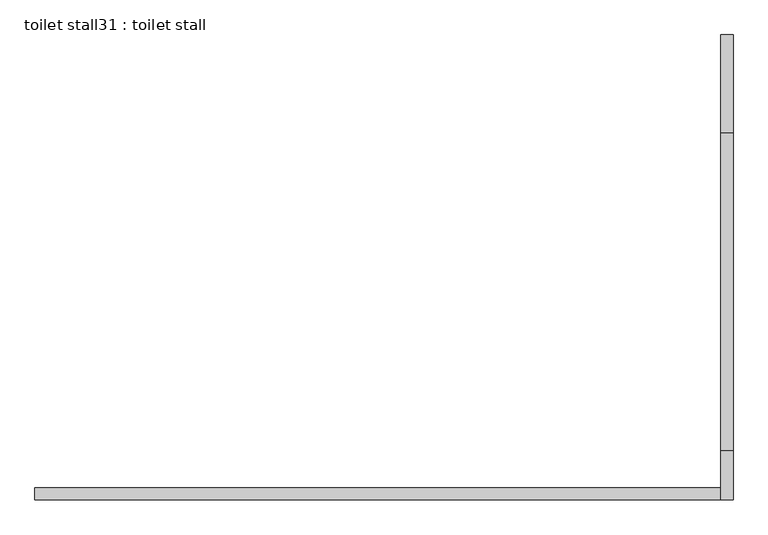
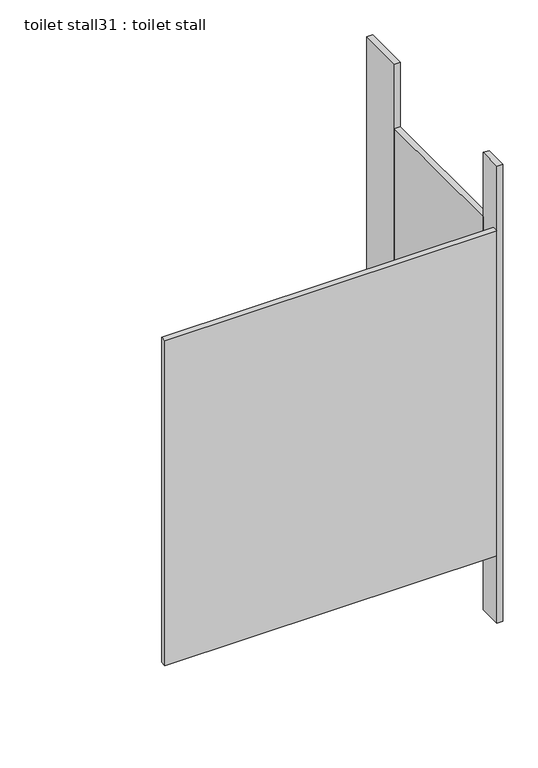
"""IFC4 building model written with IfcOpenShell, lengths in millimetres: proxy geometry, toilet stall31 : toilet stall."""

from ifc_helpers import new_model, si_unit, frame, origin, origin_with_axes, place, context, project, spatial, polyline, outline, extrude, source, transform, mapped, element, save


def toilet_stall31_toilet_stall_fb117404(model_context):
    return source(origin(), model_context, "Body", "SweptSolid", [
        extrude(outline(polyline([(458207.8504676, -278753.0738632), (458207.8504676, -278549.8738632), (458233.2504676, -278549.8738632), (458233.2504676, -278753.0738632), (458207.8504676, -278753.0738632)])), origin_with_axes(), (0.0, 0.0, 1.0), 2070.1),
        extrude(outline(polyline([(458207.8504676, -279515.0738632), (458207.8504676, -279413.4738632), (458233.2504676, -279413.4738632), (458233.2504676, -279515.0738632), (458207.8504676, -279515.0738632)])), origin_with_axes(), (0.0, 0.0, 1.0), 2070.1),
        extrude(outline(polyline([(458207.8504676, -279515.0738632), (456785.4504676, -279515.0738632), (456785.4504676, -279489.6738632), (458207.8504676, -279489.6738632), (458207.8504676, -279515.0738632)])), frame((0.0, 0.0, 304.8), z_axis=(0.0, 0.0, 1.0), x_axis=(1.0, 0.0, 0.0)), (0.0, 0.0, 1.0), 1473.2),
        extrude(outline(polyline([(458207.8504676, -279413.4738632), (458207.8504676, -278753.0738632), (458233.2504676, -278753.0738632), (458233.2504676, -279413.4738632), (458207.8504676, -279413.4738632)])), frame((0.0, 0.0, 304.8), z_axis=(0.0, 0.0, 1.0), x_axis=(1.0, 0.0, 0.0)), (0.0, 0.0, 1.0), 1473.2),
    ])


if __name__ == "__main__":
    model = new_model("IFC4")
    model_context = context("Model", 3, world=origin())
    ifc_project = project(units=[si_unit("LENGTHUNIT", "METRE", prefix="MILLI")], contexts=[model_context])
    site = spatial("IfcSite", under=ifc_project)
    building = spatial("IfcBuilding", under=site)
    placement = place(None, origin())
    toilet_stall31_toilet_stall_shape = toilet_stall31_toilet_stall_fb117404(model_context)
    element("IfcBuildingElementProxy", 1, Name="toilet stall31 : toilet stall", ObjectType="toilet stall31 : toilet stall", at=placement, inside=building, context=model_context, shape_type="MappedRepresentation", body=[
        mapped(toilet_stall31_toilet_stall_shape, transform((0.0, 0.0, 0.0), x_axis=(1.0, 0.0, 0.0), y_axis=(0.0, 1.0, 0.0), z_axis=(0.0, 0.0, 1.0))),
    ])
    save(model, "model.ifc")
